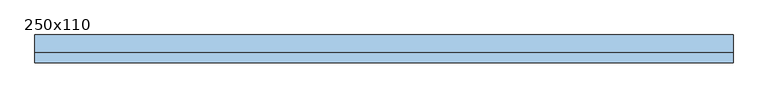
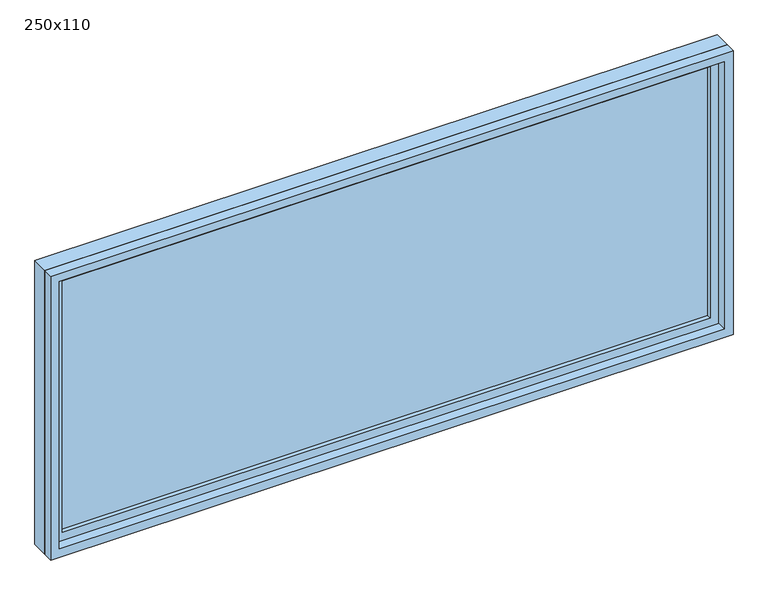
"""IFC4 building model written with IfcOpenShell, lengths in millimetres: window geometry, 250x110."""

from ifc_helpers import new_model, si_unit, frame, origin, place, context, project, spatial, polyline, outline, extrude, source, transform, mapped, element, save


def window_250x110_99fcd71f(model_context):
    return source(origin(), model_context, "Body", "SweptSolid", [
        extrude(outline(polyline([(1148.4, 2.375), (-1224.6, 2.375), (-1224.6, 15.075), (1148.4, 15.075), (1148.4, 2.375)])), frame((0.0, 0.0, 977.9), z_axis=(0.0, 0.0, 1.0), x_axis=(1.0, 0.0, 0.0)), (0.0, 0.0, 1.0), 973.0),
        extrude(outline(polyline([(1995.35, -1269.05), (933.45, -1269.05), (933.45, 1192.85), (1995.35, 1192.85), (1995.35, -1269.05)]), holes=[polyline([(1950.9, -1224.6), (1950.9, 1148.4), (977.9, 1148.4), (977.9, -1224.6), (1950.9, -1224.6)])]), frame((0.0, -13.5, 0.0), z_axis=(0.0, 1.0, 0.0), x_axis=(0.0, 0.0, 1.0)), (0.0, 0.0, 1.0), 44.45),
        extrude(outline(polyline([(2014.4, -1288.1), (914.4, -1288.1), (914.4, 1211.9), (2014.4, 1211.9), (2014.4, -1288.1)]), holes=[polyline([(1982.65, -1256.35), (1982.65, 1180.15), (946.15, 1180.15), (946.15, -1256.35), (1982.65, -1256.35)])]), frame((0.0, -50.0, 0.0), z_axis=(0.0, 1.0, 0.0), x_axis=(0.0, 0.0, 1.0)), (0.0, 0.0, 1.0), 36.5),
        extrude(outline(polyline([(2014.4, 1211.9), (2014.4, -1288.1), (914.4, -1288.1), (914.4, 1211.9), (2014.4, 1211.9)]), holes=[polyline([(1995.35, 1192.85), (933.45, 1192.85), (933.45, -1269.05), (1995.35, -1269.05), (1995.35, 1192.85)])]), frame((0.0, -13.5, 0.0), z_axis=(0.0, 1.0, 0.0), x_axis=(0.0, 0.0, 1.0)), (0.0, 0.0, 1.0), 63.5),
    ])


if __name__ == "__main__":
    model = new_model("IFC4")
    model_context = context("Model", 3, world=origin())
    ifc_project = project(units=[si_unit("LENGTHUNIT", "METRE", prefix="MILLI")], contexts=[model_context])
    site = spatial("IfcSite", under=ifc_project)
    building = spatial("IfcBuilding", under=site)
    placement = place(None, origin())
    window_250x110_shape = window_250x110_99fcd71f(model_context)
    element("IfcWindow", 1, ObjectType="250x110", at=placement, inside=building, context=model_context, shape_type="MappedRepresentation", body=[
        mapped(window_250x110_shape, transform((0.0, 0.0, 0.0), x_axis=(1.0, 0.0, 0.0), y_axis=(0.0, 1.0, 0.0), z_axis=(0.0, 0.0, 1.0))),
    ])
    save(model, "model.ifc")
